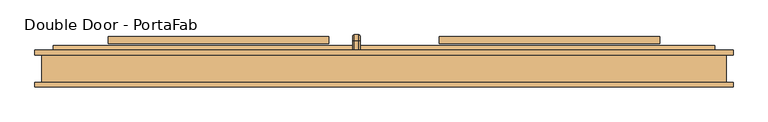
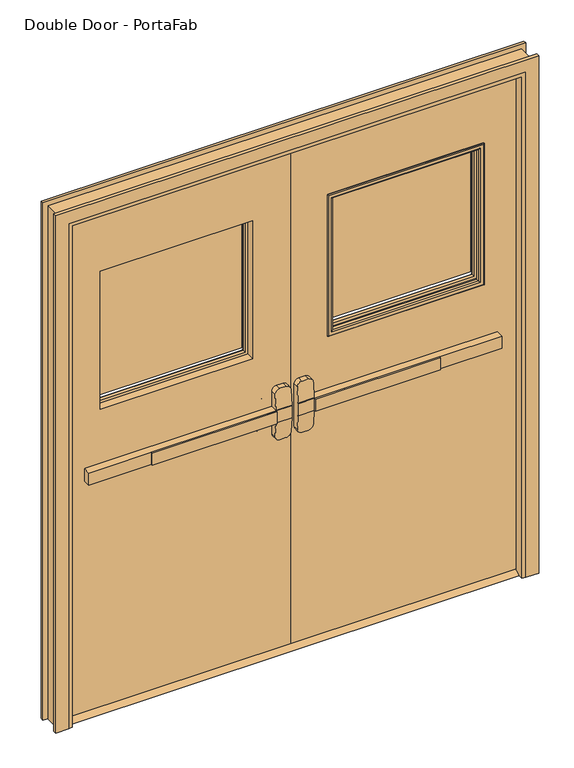
"""IFC4 building model written with IfcOpenShell, lengths in millimetres: door geometry, Double Door - PortaFab."""

from ifc_helpers import new_model, si_unit, point, frame, frame_2d, origin, place, context, project, spatial, polyline, circle_curve, ellipse_curve, trimmed, segment, composite_curve, outline, extrude, faceted_brep, source, transform, mapped, element, save
from ifc_brep_helpers import plane_surface, cylinder_surface, revolved_surface, advanced_brep


def double_door_portafab_8ae98fe6(model_context):
    return source(origin(), model_context, "Body", "SolidModel", [
        extrude(outline(polyline([(-575.7333333, -38.1), (-575.7333333, -31.75), (-76.2, -31.75), (-76.2, -38.1), (-575.7333333, -38.1)])), frame((0.0, 0.0, 990.6), z_axis=(0.0, 0.0, 1.0), x_axis=(1.0, 0.0, 0.0)), (0.0, 0.0, 1.0), 50.8),
        advanced_brep(
        [(-12.7, -31.75, 1041.4), (-76.2, -31.75, 1041.4), (-825.5, -31.75, 1041.4), (-825.5, -31.75, 990.6), (-76.2, -31.75, 990.6), (-12.7, -31.75, 990.6), (-825.5, 0.0, 1041.4), (-76.2, 0.0, 1041.4), (-76.2, 0.0, 1104.9), (-57.15, 0.0, 1123.95), (-31.75, 0.0, 1123.95), (-12.7, 0.0, 1104.9), (-12.7, 0.0, 927.1), (-31.75, 0.0, 908.05), (-57.15, 0.0, 908.05), (-76.2, 0.0, 927.1), (-76.2, 0.0, 990.6), (-825.5, 0.0, 990.6), (-12.7, -28.5747533, 1041.4), (-76.2, -28.5747533, 1041.4), (-12.7, -28.5747533, 990.6), (-12.7, -23.5645731, 927.1), (-12.7, -23.5645731, 1104.9), (-76.2, -28.5747533, 990.6), (-76.2, -23.5645731, 1104.9), (-76.2, -23.5645731, 927.1), (-57.15, -22.061519, 1123.95), (-31.75, -22.061519, 1123.95), (-31.75, -22.061519, 908.05), (-57.15, -22.061519, 908.05)],
        [
            (0, 1),
            (1, 2),
            (2, 3),
            (3, 4),
            (4, 5),
            (5, 0),
            (6, 7),
            (7, 8),
            (8, 9, circle_curve(frame((-57.15, 0.0, 1104.9), z_axis=(0.0, 1.0, 0.0), x_axis=(-1.0, 0.0, 0.0)), 19.05)),
            (9, 10),
            (10, 11, circle_curve(frame((-31.75, 0.0, 1104.9), z_axis=(0.0, 1.0, 0.0), x_axis=(-1.0, 0.0, 0.0)), 19.05)),
            (11, 12),
            (12, 13, circle_curve(frame((-31.75, 0.0, 927.1), z_axis=(0.0, 1.0, 0.0), x_axis=(-1.0, 0.0, 0.0)), 19.05)),
            (13, 14),
            (14, 15, circle_curve(frame((-57.15, 0.0, 927.1), z_axis=(0.0, 1.0, 0.0), x_axis=(-1.0, 0.0, 0.0)), 19.05)),
            (15, 16),
            (16, 17),
            (17, 6),
            (0, 18),
            (18, 19),
            (19, 7),
            (6, 2),
            (5, 20),
            (20, 21),
            (21, 12),
            (11, 22),
            (22, 18),
            (16, 23),
            (23, 20),
            (3, 17),
            (19, 24),
            (24, 8),
            (15, 25),
            (25, 23),
            (9, 26),
            (26, 27),
            (27, 10),
            (13, 28),
            (28, 29),
            (29, 14),
            (29, 25, ellipse_curve(frame((-57.15, -23.5645731, 927.1), z_axis=(0.0, 0.9969018152893365, 0.07865602756830282), x_axis=(0.0, -0.07865602756830208, 0.9969018152893365)), 19.1092038, 19.05)),
            (24, 26, ellipse_curve(frame((-57.15, -23.5645731, 1104.9), z_axis=(0.0, 0.9969018152893376, -0.07865602756828934), x_axis=(0.0, -0.078656027568288, -0.9969018152893377)), 19.1092038, 19.05)),
            (27, 22, ellipse_curve(frame((-31.75, -23.5645731, 1104.9), z_axis=(0.0, 0.9969018152893376, -0.07865602756828934), x_axis=(0.0, -0.078656027568288, -0.9969018152893377)), 19.1092038, 19.05)),
            (21, 28, ellipse_curve(frame((-31.75, -23.5645731, 927.1), z_axis=(0.0, 0.9969018152893365, 0.07865602756830282), x_axis=(0.0, -0.07865602756830208, 0.9969018152893365)), 19.1092038, 19.05)),
        ],
        [
            plane_surface(frame((-12.7, -31.75, 1041.4), z_axis=(0.0, -1.0, 0.0), x_axis=(1.0, 0.0, 0.0))),
            plane_surface(frame((-12.7, 0.0, 1041.4), z_axis=(0.0, 1.0, 0.0), x_axis=(-1.0, 0.0, 0.0))),
            plane_surface(frame((-825.5, -31.75, 1041.4), z_axis=(0.0, 0.0, 1.0), x_axis=(0.0, 1.0, 0.0))),
            plane_surface(frame((-12.7, -31.75, 1041.4), z_axis=(1.0, 0.0, 0.0), x_axis=(0.0, 1.0, 0.0))),
            plane_surface(frame((-12.7, -31.75, 990.6), z_axis=(0.0, 0.0, -1.0), x_axis=(0.0, 1.0, 0.0))),
            plane_surface(frame((-825.5, -31.75, 990.6), z_axis=(-1.0, 0.0, 0.0), x_axis=(0.0, 1.0, 0.0))),
            plane_surface(frame((-76.2, -28.5747533, 927.1), z_axis=(-1.0, 0.0, 0.0), x_axis=(0.0, 1.0, 0.0))),
            plane_surface(frame((-57.15, -28.5747533, 1123.95), z_axis=(0.0, 0.0, 1.0), x_axis=(0.0, 1.0, 0.0))),
            plane_surface(frame((-31.75, -28.5747533, 908.05), z_axis=(0.0, 0.0, -1.0), x_axis=(0.0, 1.0, 0.0))),
            cylinder_surface(frame((-57.15, 0.0, 927.1), z_axis=(0.0, -1.0, 0.0), x_axis=(-1.0, 0.0, 0.0)), 19.05),
            cylinder_surface(frame((-57.15, 0.0, 1104.9), z_axis=(0.0, -1.0, 0.0), x_axis=(-1.0, 0.0, 0.0)), 19.05),
            cylinder_surface(frame((-31.75, 0.0, 1104.9), z_axis=(0.0, -1.0, 0.0), x_axis=(-1.0, 0.0, 0.0)), 19.05),
            cylinder_surface(frame((-31.75, 0.0, 927.1), z_axis=(0.0, -1.0, 0.0), x_axis=(-1.0, 0.0, 0.0)), 19.05),
            plane_surface(frame((-76.2, -28.5747533, 1041.4), z_axis=(0.0, -0.9969018152893376, 0.07865602756828934), x_axis=(1.0, 0.0, 0.0))),
            plane_surface(frame((-76.2, -22.061519, 908.05), z_axis=(0.0, -0.9969018152893365, -0.07865602756830282), x_axis=(1.0, 0.0, 0.0))),
        ],
        [
            (0, [[1, 2, 3, 4, 5, 6]]),
            (1, [[7, 8, 9, 10, 11, 12, 13, 14, 15, 16, 17, 18]]),
            (2, [[-2, -1, 19, 20, 21, -7, 22]]),
            (3, [[23, 24, 25, -12, 26, 27, -19, -6]]),
            (4, [[-17, 28, 29, -23, -5, -4, 30]]),
            (5, [[-22, -18, -30, -3]]),
            (6, [[-21, 31, 32, -8]]),
            (6, [[33, 34, -28, -16]]),
            (7, [[35, 36, 37, -10]]),
            (8, [[38, 39, 40, -14]]),
            (9, [[-40, 41, -33, -15]]),
            (10, [[-32, 42, -35, -9]]),
            (11, [[-37, 43, -26, -11]]),
            (12, [[-25, 44, -38, -13]]),
            (13, [[-27, -43, -36, -42, -31, -20]]),
            (14, [[-29, -34, -41, -39, -44, -24]]),
        ],
    ),
        extrude(outline(polyline([(44.45, 12.7), (69.85, 0.0), (-25.4, 0.0), (0.0, 12.7), (44.45, 12.7)])), frame((-914.4, 0.0, 0.0), z_axis=(1.0, 0.0, 0.0), x_axis=(0.0, 1.0, 0.0)), (0.0, 0.0, 1.0), 1828.8),
        extrude(outline(polyline([(575.7333333, -38.1), (76.2, -38.1), (76.2, -31.75), (575.7333333, -31.75), (575.7333333, -38.1)])), frame((0.0, 0.0, 990.6), z_axis=(0.0, 0.0, 1.0), x_axis=(1.0, 0.0, 0.0)), (0.0, 0.0, 1.0), 50.8),
        advanced_brep(
        [(12.7, -31.75, 1041.4), (12.7, -31.75, 990.6), (76.2, -31.75, 990.6), (825.5, -31.75, 990.6), (825.5, -31.75, 1041.4), (76.2, -31.75, 1041.4), (825.5, 0.0, 1041.4), (825.5, 0.0, 990.6), (76.2, 0.0, 990.6), (76.2, 0.0, 927.1), (57.15, 0.0, 908.05), (31.75, 0.0, 908.05), (12.7, 0.0, 927.1), (12.7, 0.0, 1104.9), (31.75, 0.0, 1123.95), (57.15, 0.0, 1123.95), (76.2, 0.0, 1104.9), (76.2, 0.0, 1041.4), (76.2, -28.5747533, 1041.4), (12.7, -28.5747533, 1041.4), (12.7, -23.5645731, 1104.9), (12.7, -23.5645731, 927.1), (12.7, -28.5747533, 990.6), (76.2, -28.5747533, 990.6), (76.2, -23.5645731, 927.1), (76.2, -23.5645731, 1104.9), (31.75, -22.061519, 1123.95), (57.15, -22.061519, 1123.95), (57.15, -22.061519, 908.05), (31.75, -22.061519, 908.05)],
        [
            (0, 1),
            (1, 2),
            (2, 3),
            (3, 4),
            (4, 5),
            (5, 0),
            (6, 7),
            (7, 8),
            (8, 9),
            (9, 10, circle_curve(frame((57.15, 0.0, 927.1), z_axis=(0.0, 1.0, 0.0), x_axis=(1.0, 0.0, 0.0)), 19.05)),
            (10, 11),
            (11, 12, circle_curve(frame((31.75, 0.0, 927.1), z_axis=(0.0, 1.0, 0.0), x_axis=(1.0, 0.0, 0.0)), 19.05)),
            (12, 13),
            (13, 14, circle_curve(frame((31.75, 0.0, 1104.9), z_axis=(0.0, 1.0, 0.0), x_axis=(1.0, 0.0, 0.0)), 19.05)),
            (14, 15),
            (15, 16, circle_curve(frame((57.15, 0.0, 1104.9), z_axis=(0.0, 1.0, 0.0), x_axis=(1.0, 0.0, 0.0)), 19.05)),
            (16, 17),
            (17, 6),
            (4, 6),
            (17, 18),
            (18, 19),
            (19, 0),
            (19, 20),
            (20, 13),
            (12, 21),
            (21, 22),
            (22, 1),
            (7, 3),
            (22, 23),
            (23, 8),
            (23, 24),
            (24, 9),
            (16, 25),
            (25, 18),
            (14, 26),
            (26, 27),
            (27, 15),
            (10, 28),
            (28, 29),
            (29, 11),
            (24, 28, ellipse_curve(frame((57.15, -23.5645731, 927.1), z_axis=(0.0, 0.9969018152893365, 0.07865602756830282), x_axis=(0.0, -0.07865602756830208, 0.9969018152893365)), 19.1092038, 19.05)),
            (27, 25, ellipse_curve(frame((57.15, -23.5645731, 1104.9), z_axis=(0.0, 0.9969018152893376, -0.07865602756828934), x_axis=(0.0, -0.078656027568288, -0.9969018152893377)), 19.1092038, 19.05)),
            (20, 26, ellipse_curve(frame((31.75, -23.5645731, 1104.9), z_axis=(0.0, 0.9969018152893376, -0.07865602756828934), x_axis=(0.0, -0.078656027568288, -0.9969018152893377)), 19.1092038, 19.05)),
            (29, 21, ellipse_curve(frame((31.75, -23.5645731, 927.1), z_axis=(0.0, 0.9969018152893365, 0.07865602756830282), x_axis=(0.0, -0.07865602756830208, 0.9969018152893365)), 19.1092038, 19.05)),
        ],
        [
            plane_surface(frame((12.7, -31.75, 1041.4), z_axis=(0.0, -1.0, 0.0), x_axis=(-1.0, 0.0, 0.0))),
            plane_surface(frame((12.7, 0.0, 1041.4), z_axis=(0.0, 1.0, 0.0), x_axis=(1.0, 0.0, 0.0))),
            plane_surface(frame((825.5, -31.75, 1041.4), z_axis=(0.0, 0.0, 1.0), x_axis=(0.0, 1.0, 0.0))),
            plane_surface(frame((12.7, -31.75, 1041.4), z_axis=(-1.0, 0.0, 0.0), x_axis=(0.0, 1.0, 0.0))),
            plane_surface(frame((12.7, -31.75, 990.6), z_axis=(0.0, 0.0, -1.0), x_axis=(0.0, 1.0, 0.0))),
            plane_surface(frame((825.5, -31.75, 990.6), z_axis=(1.0, 0.0, 0.0), x_axis=(0.0, 1.0, 0.0))),
            plane_surface(frame((76.2, -28.5747533, 927.1), z_axis=(1.0, 0.0, 0.0), x_axis=(0.0, 1.0, 0.0))),
            plane_surface(frame((57.15, -28.5747533, 1123.95), z_axis=(0.0, 0.0, 1.0), x_axis=(0.0, 1.0, 0.0))),
            plane_surface(frame((31.75, -28.5747533, 908.05), z_axis=(0.0, 0.0, -1.0), x_axis=(0.0, 1.0, 0.0))),
            cylinder_surface(frame((57.15, 0.0, 927.1), z_axis=(0.0, -1.0, 0.0), x_axis=(1.0, 0.0, 0.0)), 19.05),
            cylinder_surface(frame((57.15, 0.0, 1104.9), z_axis=(0.0, -1.0, 0.0), x_axis=(1.0, 0.0, 0.0)), 19.05),
            cylinder_surface(frame((31.75, 0.0, 1104.9), z_axis=(0.0, -1.0, 0.0), x_axis=(1.0, 0.0, 0.0)), 19.05),
            cylinder_surface(frame((31.75, 0.0, 927.1), z_axis=(0.0, -1.0, 0.0), x_axis=(1.0, 0.0, 0.0)), 19.05),
            plane_surface(frame((76.2, -28.5747533, 1041.4), z_axis=(0.0, -0.9969018152893376, 0.07865602756828934), x_axis=(-1.0, 0.0, 0.0))),
            plane_surface(frame((76.2, -22.061519, 908.05), z_axis=(0.0, -0.9969018152893365, -0.07865602756830282), x_axis=(-1.0, 0.0, 0.0))),
        ],
        [
            (0, [[1, 2, 3, 4, 5, 6]]),
            (1, [[7, 8, 9, 10, 11, 12, 13, 14, 15, 16, 17, 18]]),
            (2, [[19, -18, 20, 21, 22, -6, -5]]),
            (3, [[-1, -22, 23, 24, -13, 25, 26, 27]]),
            (4, [[28, -3, -2, -27, 29, 30, -8]]),
            (5, [[-4, -28, -7, -19]]),
            (6, [[-9, -30, 31, 32]]),
            (6, [[-17, 33, 34, -20]]),
            (7, [[-15, 35, 36, 37]]),
            (8, [[-11, 38, 39, 40]]),
            (9, [[-10, -32, 41, -38]]),
            (10, [[-16, -37, 42, -33]]),
            (11, [[-14, -24, 43, -35]]),
            (12, [[-12, -40, 44, -25]]),
            (13, [[-21, -34, -42, -36, -43, -23]]),
            (14, [[-26, -44, -39, -41, -31, -29]]),
        ],
    ),
        advanced_brep(
        [(-86.2, 57.15, 1017.190625), (-86.2, 57.15, 1014.809375), (-82.628125, 57.15, 1011.2375), (-69.7715406, 57.15, 1011.2375), (-66.2, 57.15, 1014.8090406), (-66.2, 57.15, 1017.190625), (-69.771875, 57.15, 1020.7625), (-82.628125, 57.15, 1020.7625), (-86.2, 57.15, 887.809375), (-82.628125, 57.15, 884.2375), (-69.771875, 57.15, 884.2375), (-66.2, 57.15, 887.809375), (-66.2, 57.15, 890.1909594), (-69.7715406, 57.15, 893.7625), (-82.628125, 57.15, 893.7625), (-86.2, 57.15, 890.190625), (-86.2, 82.55, 1017.190625), (-86.2, 96.440625, 1003.3), (-86.2, 96.440625, 901.7), (-86.2, 82.55, 887.809375), (-86.2, 82.55, 890.190625), (-86.2, 94.059375, 901.7), (-86.2, 94.059375, 1003.3), (-86.2, 82.55, 1014.809375), (-82.628125, 82.55, 1011.2375), (-69.7715406, 82.55, 1011.2375), (-66.2, 82.55, 1014.8090406), (-66.2, 94.0590406, 1003.3), (-66.2, 94.0590406, 901.7), (-66.2, 82.55, 890.1909594), (-66.2, 82.55, 887.809375), (-66.2, 96.440625, 901.7), (-66.2, 96.440625, 1003.3), (-66.2, 82.55, 1017.190625), (-69.771875, 82.55, 1020.7625), (-82.628125, 82.55, 1020.7625), (-82.628125, 90.4875, 1003.3), (-69.7715406, 90.4875, 1003.3), (-69.771875, 100.0125, 1003.3), (-82.628125, 100.0125, 1003.3), (-82.628125, 90.4875, 901.7), (-69.7715406, 90.4875, 901.7), (-69.771875, 100.0125, 901.7), (-82.628125, 100.0125, 901.7), (-82.628125, 82.55, 893.7625), (-69.7715406, 82.55, 893.7625), (-69.771875, 82.55, 884.2375), (-82.628125, 82.55, 884.2375)],
        [
            (0, 1),
            (1, 2, circle_curve(frame((-82.628125, 57.15, 1014.809375), z_axis=(0.0, -1.0, 0.0), x_axis=(0.0, 0.0, 1.0)), 3.571875)),
            (2, 3),
            (3, 4, circle_curve(frame((-69.7715406, 57.15, 1014.8090406), z_axis=(0.0, -1.0, 0.0), x_axis=(0.0, 0.0, 1.0)), 3.5715406)),
            (4, 5),
            (5, 6, circle_curve(frame((-69.771875, 57.15, 1017.190625), z_axis=(0.0, -1.0, 0.0), x_axis=(0.0, 0.0, 1.0)), 3.571875)),
            (6, 7),
            (7, 0, circle_curve(frame((-82.628125, 57.15, 1017.190625), z_axis=(0.0, -1.0, 0.0), x_axis=(0.0, 0.0, 1.0)), 3.571875)),
            (8, 9, circle_curve(frame((-82.628125, 57.15, 887.809375), z_axis=(0.0, -1.0, 0.0), x_axis=(0.0, 0.0, -1.0)), 3.571875)),
            (9, 10),
            (10, 11, circle_curve(frame((-69.771875, 57.15, 887.809375), z_axis=(0.0, -1.0, 0.0), x_axis=(0.0, 0.0, -1.0)), 3.571875)),
            (11, 12),
            (12, 13, circle_curve(frame((-69.7715406, 57.15, 890.1909594), z_axis=(0.0, -1.0, 0.0), x_axis=(0.0, 0.0, -1.0)), 3.5715406)),
            (13, 14),
            (14, 15, circle_curve(frame((-82.628125, 57.15, 890.190625), z_axis=(0.0, -1.0, 0.0), x_axis=(0.0, 0.0, -1.0)), 3.571875)),
            (15, 8),
            (0, 16),
            (16, 17, circle_curve(frame((-86.2, 82.55, 1003.3), z_axis=(-1.0, 0.0, 0.0), x_axis=(0.0, 0.0, 1.0)), 13.890625)),
            (17, 18),
            (18, 19, circle_curve(frame((-86.2, 82.55, 901.7), z_axis=(-1.0, 0.0, 0.0), x_axis=(0.0, 1.0, 0.0)), 13.890625)),
            (19, 8),
            (15, 20),
            (20, 21, circle_curve(frame((-86.2, 82.55, 901.7), z_axis=(1.0, 0.0, 0.0), x_axis=(0.0, 1.0, 0.0)), 11.509375)),
            (21, 22),
            (22, 23, circle_curve(frame((-86.2, 82.55, 1003.3), z_axis=(1.0, 0.0, 0.0), x_axis=(0.0, 0.0, 1.0)), 11.509375)),
            (23, 1),
            (23, 24, circle_curve(frame((-82.628125, 82.55, 1014.809375), z_axis=(0.0, -1.0, 0.0), x_axis=(0.0, 0.0, 1.0)), 3.571875)),
            (24, 2),
            (24, 25),
            (25, 3),
            (25, 26, circle_curve(frame((-69.7715406, 82.55, 1014.8090406), z_axis=(0.0, -1.0, 0.0), x_axis=(0.0, 0.0, 1.0)), 3.5715406)),
            (26, 4),
            (26, 27, circle_curve(frame((-66.2, 82.55, 1003.3), z_axis=(-1.0, 0.0, 0.0), x_axis=(0.0, 0.0, 1.0)), 11.5090406)),
            (27, 28),
            (28, 29, circle_curve(frame((-66.2, 82.55, 901.7), z_axis=(-1.0, 0.0, 0.0), x_axis=(0.0, 1.0, 0.0)), 11.5090406)),
            (29, 12),
            (11, 30),
            (30, 31, circle_curve(frame((-66.2, 82.55, 901.7), z_axis=(1.0, 0.0, 0.0), x_axis=(0.0, 1.0, 0.0)), 13.890625)),
            (31, 32),
            (32, 33, circle_curve(frame((-66.2, 82.55, 1003.3), z_axis=(1.0, 0.0, 0.0), x_axis=(0.0, 0.0, 1.0)), 13.890625)),
            (33, 5),
            (33, 34, circle_curve(frame((-69.771875, 82.55, 1017.190625), z_axis=(0.0, -1.0, 0.0), x_axis=(0.0, 0.0, 1.0)), 3.571875)),
            (34, 6),
            (34, 35),
            (35, 7),
            (35, 16, circle_curve(frame((-82.628125, 82.55, 1017.190625), z_axis=(0.0, -1.0, 0.0), x_axis=(0.0, 0.0, 1.0)), 3.571875)),
            (36, 24, circle_curve(frame((-82.628125, 82.55, 1003.3), z_axis=(1.0, 0.0, 0.0), x_axis=(0.0, 0.0, 1.0)), 7.9375)),
            (22, 36, circle_curve(frame((-82.628125, 94.059375, 1003.3), z_axis=(0.0, 0.0, 1.0), x_axis=(0.0, 1.0, 0.0)), 3.571875)),
            (37, 25, circle_curve(frame((-69.7715406, 82.55, 1003.3), z_axis=(1.0, 0.0, 0.0), x_axis=(0.0, 0.0, 1.0)), 7.9375)),
            (36, 37),
            (37, 27, circle_curve(frame((-69.7715406, 94.0590406, 1003.3), z_axis=(0.0, 0.0, 1.0), x_axis=(0.0, 1.0, 0.0)), 3.5715406)),
            (38, 34, circle_curve(frame((-69.771875, 82.55, 1003.3), z_axis=(1.0, 0.0, 0.0), x_axis=(0.0, 0.0, 1.0)), 17.4625)),
            (32, 38, circle_curve(frame((-69.771875, 96.440625, 1003.3), z_axis=(0.0, 0.0, 1.0), x_axis=(0.0, 1.0, 0.0)), 3.571875)),
            (39, 35, circle_curve(frame((-82.628125, 82.55, 1003.3), z_axis=(1.0, 0.0, 0.0), x_axis=(0.0, 0.0, 1.0)), 17.4625)),
            (38, 39),
            (39, 17, circle_curve(frame((-82.628125, 96.440625, 1003.3), z_axis=(0.0, 0.0, 1.0), x_axis=(0.0, 1.0, 0.0)), 3.571875)),
            (21, 40, circle_curve(frame((-82.628125, 94.059375, 901.7), z_axis=(0.0, 0.0, 1.0), x_axis=(0.0, 1.0, 0.0)), 3.571875)),
            (40, 36),
            (40, 41),
            (41, 37),
            (41, 28, circle_curve(frame((-69.7715406, 94.0590406, 901.7), z_axis=(0.0, 0.0, 1.0), x_axis=(0.0, 1.0, 0.0)), 3.5715406)),
            (31, 42, circle_curve(frame((-69.771875, 96.440625, 901.7), z_axis=(0.0, 0.0, 1.0), x_axis=(0.0, 1.0, 0.0)), 3.571875)),
            (42, 38),
            (42, 43),
            (43, 39),
            (43, 18, circle_curve(frame((-82.628125, 96.440625, 901.7), z_axis=(0.0, 0.0, 1.0), x_axis=(0.0, 1.0, 0.0)), 3.571875)),
            (44, 40, circle_curve(frame((-82.628125, 82.55, 901.7), z_axis=(1.0, 0.0, 0.0), x_axis=(0.0, 1.0, 0.0)), 7.9375)),
            (20, 44, circle_curve(frame((-82.628125, 82.55, 890.190625), z_axis=(0.0, 1.0, 0.0), x_axis=(0.0, 0.0, -1.0)), 3.571875)),
            (45, 41, circle_curve(frame((-69.7715406, 82.55, 901.7), z_axis=(1.0, 0.0, 0.0), x_axis=(0.0, 1.0, 0.0)), 7.9375)),
            (44, 45),
            (45, 29, circle_curve(frame((-69.7715406, 82.55, 890.1909594), z_axis=(0.0, 1.0, 0.0), x_axis=(0.0, 0.0, -1.0)), 3.5715406)),
            (46, 42, circle_curve(frame((-69.771875, 82.55, 901.7), z_axis=(1.0, 0.0, 0.0), x_axis=(0.0, 1.0, 0.0)), 17.4625)),
            (30, 46, circle_curve(frame((-69.771875, 82.55, 887.809375), z_axis=(0.0, 1.0, 0.0), x_axis=(0.0, 0.0, -1.0)), 3.571875)),
            (47, 43, circle_curve(frame((-82.628125, 82.55, 901.7), z_axis=(1.0, 0.0, 0.0), x_axis=(0.0, 1.0, 0.0)), 17.4625)),
            (46, 47),
            (47, 19, circle_curve(frame((-82.628125, 82.55, 887.809375), z_axis=(0.0, 1.0, 0.0), x_axis=(0.0, 0.0, -1.0)), 3.571875)),
            (14, 44),
            (13, 45),
            (10, 46),
            (9, 47),
        ],
        [
            plane_surface(frame((-76.2, 57.15, 1016.0), z_axis=(0.0, -1.0, 0.0), x_axis=(1.0, 0.0, 0.0))),
            plane_surface(frame((-76.2, 57.15, 889.0), z_axis=(0.0, -1.0, 0.0), x_axis=(1.0, 0.0, 0.0))),
            plane_surface(frame((-86.2, 57.15, 1017.190625), z_axis=(-1.0, 0.0, 0.0), x_axis=(0.0, 1.0, 0.0))),
            cylinder_surface(frame((-82.628125, 57.15, 1014.809375), z_axis=(0.0, -1.0, 0.0), x_axis=(0.0, 0.0, 1.0)), 3.571875),
            plane_surface(frame((-82.628125, 57.15, 1011.2375), z_axis=(0.0, 0.0, -1.0), x_axis=(0.0, 1.0, 0.0))),
            cylinder_surface(frame((-69.7715406, 57.15, 1014.8090406), z_axis=(0.0, -1.0, 0.0), x_axis=(0.0, 0.0, 1.0)), 3.5715406),
            plane_surface(frame((-66.2, 57.15, 1014.8090406), z_axis=(1.0, 0.0, 0.0), x_axis=(0.0, 1.0, 0.0))),
            cylinder_surface(frame((-69.771875, 57.15, 1017.190625), z_axis=(0.0, -1.0, 0.0), x_axis=(0.0, 0.0, 1.0)), 3.571875),
            plane_surface(frame((-69.771875, 57.15, 1020.7625), z_axis=(0.0, 0.0, 1.0), x_axis=(0.0, 1.0, 0.0))),
            cylinder_surface(frame((-82.628125, 57.15, 1017.190625), z_axis=(0.0, -1.0, 0.0), x_axis=(0.0, 0.0, 1.0)), 3.571875),
            revolved_surface(trimmed(ellipse_curve(frame((-82.628125, 82.55, 1014.809375), z_axis=(0.0, -1.0, 0.0), x_axis=(0.0, 0.0, 1.0)), 3.571875, 3.571875), [point((-86.2, 82.55, 1014.809375))], [point((-82.628125, 82.55, 1011.2375))], True, "CARTESIAN"), (-76.2, 82.55, 1003.3), (-1.0, 0.0, 0.0)),
            revolved_surface(polyline([(-82.628125, 82.55, 1011.2375), (-69.7715406, 82.55, 1011.2375)]), (-76.2, 82.55, 1003.3), (-1.0, 0.0, 0.0)),
            revolved_surface(trimmed(ellipse_curve(frame((-69.7715406, 82.55, 1014.8090406), z_axis=(0.0, -1.0, 0.0), x_axis=(0.0, 0.0, 1.0)), 3.5715406, 3.5715406), [point((-69.7715406, 82.55, 1011.2375))], [point((-66.2, 82.55, 1014.8090406))], True, "CARTESIAN"), (-76.2, 82.55, 1003.3), (-1.0, 0.0, 0.0)),
            revolved_surface(trimmed(ellipse_curve(frame((-69.771875, 82.55, 1017.190625), z_axis=(0.0, -1.0, 0.0), x_axis=(0.0, 0.0, 1.0)), 3.571875, 3.571875), [point((-66.2, 82.55, 1017.190625))], [point((-69.771875, 82.55, 1020.7625))], True, "CARTESIAN"), (-76.2, 82.55, 1003.3), (-1.0, 0.0, 0.0)),
            cylinder_surface(frame((-76.2, 82.55, 1003.3), z_axis=(-1.0, 0.0, 0.0), x_axis=(0.0, 0.0, 1.0)), 17.4625),
            revolved_surface(trimmed(ellipse_curve(frame((-82.628125, 82.55, 1017.190625), z_axis=(0.0, -1.0, 0.0), x_axis=(0.0, 0.0, 1.0)), 3.571875, 3.571875), [point((-82.628125, 82.55, 1020.7625))], [point((-86.2, 82.55, 1017.190625))], True, "CARTESIAN"), (-76.2, 82.55, 1003.3), (-1.0, 0.0, 0.0)),
            cylinder_surface(frame((-82.628125, 94.059375, 1003.3), z_axis=(0.0, 0.0, 1.0), x_axis=(0.0, 1.0, 0.0)), 3.571875),
            plane_surface(frame((-82.628125, 90.4875, 1003.3), z_axis=(0.0, -1.0, 0.0), x_axis=(0.0, 0.0, -1.0))),
            cylinder_surface(frame((-69.7715406, 94.0590406, 1003.3), z_axis=(0.0, 0.0, 1.0), x_axis=(0.0, 1.0, 0.0)), 3.5715406),
            cylinder_surface(frame((-69.771875, 96.440625, 1003.3), z_axis=(0.0, 0.0, 1.0), x_axis=(0.0, 1.0, 0.0)), 3.571875),
            plane_surface(frame((-69.771875, 100.0125, 1003.3), z_axis=(0.0, 1.0, 0.0), x_axis=(0.0, 0.0, -1.0))),
            cylinder_surface(frame((-82.628125, 96.440625, 1003.3), z_axis=(0.0, 0.0, 1.0), x_axis=(0.0, 1.0, 0.0)), 3.571875),
            revolved_surface(trimmed(ellipse_curve(frame((-82.628125, 94.059375, 901.7), z_axis=(0.0, 0.0, 1.0), x_axis=(0.0, 1.0, 0.0)), 3.571875, 3.571875), [point((-86.2, 94.059375, 901.7))], [point((-82.628125, 90.4875, 901.7))], True, "CARTESIAN"), (-76.2, 82.55, 901.7), (-1.0, 0.0, 0.0)),
            revolved_surface(polyline([(-82.628125, 90.4875, 901.7), (-69.7715406, 90.4875, 901.7)]), (-76.2, 82.55, 901.7), (-1.0, 0.0, 0.0)),
            revolved_surface(trimmed(ellipse_curve(frame((-69.7715406, 94.0590406, 901.7), z_axis=(0.0, 0.0, 1.0), x_axis=(0.0, 1.0, 0.0)), 3.5715406, 3.5715406), [point((-69.7715406, 90.4875, 901.7))], [point((-66.2, 94.0590406, 901.7))], True, "CARTESIAN"), (-76.2, 82.55, 901.7), (-1.0, 0.0, 0.0)),
            revolved_surface(trimmed(ellipse_curve(frame((-69.771875, 96.440625, 901.7), z_axis=(0.0, 0.0, 1.0), x_axis=(0.0, 1.0, 0.0)), 3.571875, 3.571875), [point((-66.2, 96.440625, 901.7))], [point((-69.771875, 100.0125, 901.7))], True, "CARTESIAN"), (-76.2, 82.55, 901.7), (-1.0, 0.0, 0.0)),
            cylinder_surface(frame((-76.2, 82.55, 901.7), z_axis=(-1.0, 0.0, 0.0), x_axis=(0.0, 1.0, 0.0)), 17.4625),
            revolved_surface(trimmed(ellipse_curve(frame((-82.628125, 96.440625, 901.7), z_axis=(0.0, 0.0, 1.0), x_axis=(0.0, 1.0, 0.0)), 3.571875, 3.571875), [point((-82.628125, 100.0125, 901.7))], [point((-86.2, 96.440625, 901.7))], True, "CARTESIAN"), (-76.2, 82.55, 901.7), (-1.0, 0.0, 0.0)),
            cylinder_surface(frame((-82.628125, 82.55, 890.190625), z_axis=(0.0, 1.0, 0.0), x_axis=(0.0, 0.0, -1.0)), 3.571875),
            plane_surface(frame((-82.628125, 82.55, 893.7625), z_axis=(0.0, 0.0, 1.0), x_axis=(0.0, -1.0, 0.0))),
            cylinder_surface(frame((-69.7715406, 82.55, 890.1909594), z_axis=(0.0, 1.0, 0.0), x_axis=(0.0, 0.0, -1.0)), 3.5715406),
            cylinder_surface(frame((-69.771875, 82.55, 887.809375), z_axis=(0.0, 1.0, 0.0), x_axis=(0.0, 0.0, -1.0)), 3.571875),
            plane_surface(frame((-69.771875, 82.55, 884.2375), z_axis=(0.0, 0.0, -1.0), x_axis=(0.0, -1.0, 0.0))),
            cylinder_surface(frame((-82.628125, 82.55, 887.809375), z_axis=(0.0, 1.0, 0.0), x_axis=(0.0, 0.0, -1.0)), 3.571875),
        ],
        [
            (0, [[1, 2, 3, 4, 5, 6, 7, 8]]),
            (1, [[9, 10, 11, 12, 13, 14, 15, 16]]),
            (2, [[-1, 17, 18, 19, 20, 21, -16, 22, 23, 24, 25, 26]]),
            (3, [[-2, -26, 27, 28]]),
            (4, [[-3, -28, 29, 30]]),
            (5, [[-4, -30, 31, 32]]),
            (6, [[-5, -32, 33, 34, 35, 36, -12, 37, 38, 39, 40, 41]]),
            (7, [[-6, -41, 42, 43]]),
            (8, [[-7, -43, 44, 45]]),
            (9, [[-8, -45, 46, -17]]),
            (10, [[47, -27, -25, 48]]),
            (11, [[49, -29, -47, 50]]),
            (12, [[-33, -31, -49, 51]]),
            (13, [[52, -42, -40, 53]]),
            (14, [[54, -44, -52, 55]]),
            (15, [[-18, -46, -54, 56]]),
            (16, [[-48, -24, 57, 58]]),
            (17, [[-50, -58, 59, 60]]),
            (18, [[-51, -60, 61, -34]]),
            (19, [[-53, -39, 62, 63]]),
            (20, [[-55, -63, 64, 65]]),
            (21, [[-56, -65, 66, -19]]),
            (22, [[67, -57, -23, 68]]),
            (23, [[69, -59, -67, 70]]),
            (24, [[-35, -61, -69, 71]]),
            (25, [[72, -62, -38, 73]]),
            (26, [[74, -64, -72, 75]]),
            (27, [[-20, -66, -74, 76]]),
            (28, [[-68, -22, -15, 77]]),
            (29, [[-70, -77, -14, 78]]),
            (30, [[-71, -78, -13, -36]]),
            (31, [[-73, -37, -11, 79]]),
            (32, [[-75, -79, -10, 80]]),
            (33, [[-76, -80, -9, -21]]),
        ],
    ),
        extrude(outline(composite_curve([segment(trimmed(circle_curve(frame_2d((1113.0338574, -76.2)), 89.3016225), [point((1193.8, -38.1))], [point((1193.8, -114.3))], False, "CARTESIAN"), True, "CONTINUOUS"), segment(polyline([(1193.8, -114.3), (838.2, -114.3)]), True, "CONTINUOUS"), segment(trimmed(circle_curve(frame_2d((918.9661426, -76.2)), 89.3016225), [point((838.2, -114.3))], [point((838.2, -38.1))], False, "CARTESIAN"), True, "CONTINUOUS"), segment(polyline([(838.2, -38.1), (1193.8, -38.1)]), True, "CONTINUOUS")], self_intersect=False)), frame((0.0, 44.45, 0.0), z_axis=(0.0, 1.0, 0.0), x_axis=(0.0, 0.0, 1.0)), (0.0, 0.0, 1.0), 12.7),
        faceted_brep([(914.4, 57.15, 0.0), (965.2, 57.15, 0.0), (965.2, 44.45, 0.0), (946.15, 44.45, 0.0), (946.15, -31.75, 0.0), (965.2, -31.75, 0.0), (965.2, -44.45, 0.0), (914.4, -44.45, 0.0), (914.4, -42.8625, 0.0), (898.525, -42.8625, 0.0), (898.525, -4.7625, 0.0), (914.4, -4.7625, 0.0), (914.4, 57.15, 2133.6), (-914.4, 57.15, 2133.6), (-914.4, 57.15, 0.0), (-965.2, 57.15, 0.0), (-965.2, 57.15, 2184.4), (965.2, 57.15, 2184.4), (965.2, 44.45, 2184.4), (-965.2, 44.45, 2184.4), (-965.2, 44.45, 0.0), (-946.15, 44.45, 0.0), (-946.15, 44.45, 2165.35), (946.15, 44.45, 2165.35), (946.15, -31.75, 2165.35), (-946.15, -31.75, 2165.35), (-946.15, -31.75, 0.0), (-965.2, -31.75, 0.0), (-965.2, -31.75, 2184.4), (965.2, -31.75, 2184.4), (965.2, -44.45, 2184.4), (-965.2, -44.45, 2184.4), (-965.2, -44.45, 0.0), (-914.4, -44.45, 0.0), (-914.4, -44.45, 2133.6), (914.4, -44.45, 2133.6), (914.4, -42.8625, 2133.6), (-914.4, -42.8625, 2133.6), (-914.4, -42.8625, 0.0), (-898.525, -42.8625, 0.0), (-898.525, -42.8625, 2117.725), (898.525, -42.8625, 2117.725), (898.525, -4.7625, 2117.725), (-898.525, -4.7625, 2117.725), (-898.525, -4.7625, 0.0), (-914.4, -4.7625, 0.0), (-914.4, -4.7625, 2133.6), (914.4, -4.7625, 2133.6)], [[[0, 1, 2, 3, 4, 5, 6, 7, 8, 9, 10, 11]], [[1, 0, 12, 13, 14, 15, 16, 17]], [[2, 1, 17, 18]], [[3, 2, 18, 19, 20, 21, 22, 23]], [[4, 3, 23, 24]], [[5, 4, 24, 25, 26, 27, 28, 29]], [[6, 5, 29, 30]], [[7, 6, 30, 31, 32, 33, 34, 35]], [[8, 7, 35, 36]], [[9, 8, 36, 37, 38, 39, 40, 41]], [[10, 9, 41, 42]], [[11, 10, 42, 43, 44, 45, 46, 47]], [[0, 11, 47, 12]], [[18, 17, 16, 19]], [[24, 23, 22, 25]], [[30, 29, 28, 31]], [[36, 35, 34, 37]], [[42, 41, 40, 43]], [[12, 47, 46, 13]], [[14, 45, 44, 39, 38, 33, 32, 27, 26, 21, 20, 15]], [[19, 16, 15, 20]], [[25, 22, 21, 26]], [[31, 28, 27, 32]], [[37, 34, 33, 38]], [[43, 40, 39, 44]], [[13, 46, 45, 14]]]),
        extrude(outline(polyline([(2133.6, 1.5875), (12.7, 1.5875), (12.7, 914.4), (2133.6, 914.4), (2133.6, 1.5875)]), holes=[polyline([(1851.025, 152.4), (1851.025, 762.0), (1270.0, 762.0), (1270.0, 152.4), (1851.025, 152.4)])]), frame((0.0, 0.0, 0.0), z_axis=(0.0, 1.0, 0.0), x_axis=(0.0, 0.0, 1.0)), (0.0, 0.0, 1.0), 44.45),
        extrude(outline(polyline([(12.7, -1.5875), (2133.6, -1.5875), (2133.6, -914.4), (12.7, -914.4), (12.7, -1.5875)]), holes=[polyline([(1851.025, -762.0), (1851.025, -152.4), (1270.0, -152.4), (1270.0, -762.0), (1851.025, -762.0)])]), frame((0.0, 0.0, 0.0), z_axis=(0.0, 1.0, 0.0), x_axis=(0.0, 0.0, 1.0)), (0.0, 0.0, 1.0), 44.45),
        extrude(outline(polyline([(762.0, 76.2), (152.4, 76.2), (152.4, 95.25), (762.0, 95.25), (762.0, 76.2)])), frame((0.0, 0.0, 1270.0), z_axis=(0.0, 0.0, 1.0), x_axis=(1.0, 0.0, 0.0)), (0.0, 0.0, 1.0), 581.025),
        extrude(outline(polyline([(-152.4, 76.2), (-762.0, 76.2), (-762.0, 95.25), (-152.4, 95.25), (-152.4, 76.2)])), frame((0.0, 0.0, 1270.0), z_axis=(0.0, 0.0, 1.0), x_axis=(1.0, 0.0, 0.0)), (0.0, 0.0, 1.0), 581.025),
        advanced_brep(
        [(152.4, 31.75, 1851.025), (152.4, 44.45, 1851.025), (152.4, 44.45, 1270.0), (152.4, 31.75, 1270.0), (164.4, 45.45, 1839.025), (164.4, 31.75, 1839.025), (164.4, 31.75, 1282.0), (164.4, 45.45, 1282.0), (159.4, 50.45, 1844.025), (159.4, 50.45, 1277.0), (144.4, 48.45, 1859.025), (146.4, 50.45, 1857.025), (146.4, 50.45, 1264.0), (144.4, 48.45, 1262.0), (144.4, 44.45, 1859.025), (144.4, 44.45, 1262.0), (762.0, 44.45, 1270.0), (762.0, 31.75, 1270.0), (750.0, 31.75, 1282.0), (750.0, 45.45, 1282.0), (755.0, 50.45, 1277.0), (768.0, 50.45, 1264.0), (770.0, 48.45, 1262.0), (770.0, 44.45, 1262.0), (762.0, 44.45, 1851.025), (762.0, 31.75, 1851.025), (750.0, 31.75, 1839.025), (750.0, 45.45, 1839.025), (755.0, 50.45, 1844.025), (768.0, 50.45, 1857.025), (770.0, 48.45, 1859.025), (770.0, 44.45, 1859.025)],
        [
            (0, 1),
            (1, 2),
            (2, 3),
            (3, 0),
            (4, 5),
            (5, 6),
            (6, 7),
            (7, 4),
            (8, 4, ellipse_curve(frame((159.4, 45.45, 1844.025), z_axis=(-0.7071067811865475, 0.0, -0.7071067811865475), x_axis=(-0.7071067811865474, 0.0, 0.7071067811865476)), 7.0710678, 5.0)),
            (7, 9, ellipse_curve(frame((159.4, 45.45, 1277.0), z_axis=(-0.7071067811865475, 0.0, 0.7071067811865475), x_axis=(0.7071067811865474, 0.0, 0.7071067811865476)), 7.0710678, 5.0)),
            (9, 8),
            (10, 11, ellipse_curve(frame((146.4, 48.45, 1857.025), z_axis=(-0.7071067811865475, 0.0, -0.7071067811865475), x_axis=(-0.7071067811865474, 0.0, 0.7071067811865476)), 2.8284271, 2.0)),
            (11, 12),
            (12, 13, ellipse_curve(frame((146.4, 48.45, 1264.0), z_axis=(-0.7071067811865475, 0.0, 0.7071067811865475), x_axis=(0.7071067811865474, 0.0, 0.7071067811865476)), 2.8284271, 2.0)),
            (13, 10),
            (14, 10),
            (13, 15),
            (15, 14),
            (2, 16),
            (16, 17),
            (17, 3),
            (6, 18),
            (18, 19),
            (19, 7),
            (19, 20, ellipse_curve(frame((755.0, 45.45, 1277.0), z_axis=(-0.7071067811865475, 0.0, -0.7071067811865475), x_axis=(-0.7071067811865476, 0.0, 0.7071067811865474)), 7.0710678, 5.0)),
            (20, 9),
            (12, 21),
            (21, 22, ellipse_curve(frame((768.0, 48.45, 1264.0), z_axis=(-0.7071067811865475, 0.0, -0.7071067811865475), x_axis=(-0.7071067811865476, 0.0, 0.7071067811865474)), 2.8284271, 2.0)),
            (22, 13),
            (22, 23),
            (23, 15),
            (16, 24),
            (24, 25),
            (25, 17),
            (18, 26),
            (26, 27),
            (27, 19),
            (27, 28, ellipse_curve(frame((755.0, 45.45, 1844.025), z_axis=(0.7071067811865475, 0.0, -0.7071067811865475), x_axis=(-0.7071067811865474, 0.0, -0.7071067811865476)), 7.0710678, 5.0)),
            (28, 20),
            (21, 29),
            (29, 30, ellipse_curve(frame((768.0, 48.45, 1857.025), z_axis=(0.7071067811865475, 0.0, -0.7071067811865475), x_axis=(-0.7071067811865474, 0.0, -0.7071067811865476)), 2.8284271, 2.0)),
            (30, 22),
            (30, 31),
            (31, 23),
            (31, 14),
            (1, 24),
            (0, 25),
            (5, 26),
            (4, 27),
            (8, 28),
            (11, 29),
            (10, 30),
        ],
        [
            plane_surface(frame((152.4, 44.45, 1851.025), z_axis=(-1.0, 0.0, 0.0), x_axis=(0.0, 0.0, -1.0))),
            plane_surface(frame((164.4, 31.75, 1839.025), z_axis=(1.0, 0.0, 0.0), x_axis=(0.0, 0.0, -1.0))),
            cylinder_surface(frame((159.4, 45.45, 1851.025), z_axis=(0.0, 0.0, 1.0), x_axis=(-1.0, 0.0, 0.0)), 5.0),
            cylinder_surface(frame((146.4, 48.45, 1851.025), z_axis=(0.0, 0.0, 1.0), x_axis=(-1.0, 0.0, 0.0)), 2.0),
            plane_surface(frame((144.4, 48.45, 1859.025), z_axis=(-1.0, 0.0, 0.0), x_axis=(0.0, 0.0, -1.0))),
            plane_surface(frame((152.4, 44.45, 1270.0), z_axis=(0.0, 0.0, -1.0), x_axis=(1.0, 0.0, 0.0))),
            plane_surface(frame((164.4, 31.75, 1282.0), z_axis=(0.0, 0.0, 1.0), x_axis=(1.0, 0.0, 0.0))),
            cylinder_surface(frame((152.4, 45.45, 1277.0), z_axis=(-1.0, 0.0, 0.0), x_axis=(0.0, 0.0, -1.0)), 5.0),
            cylinder_surface(frame((152.4, 48.45, 1264.0), z_axis=(-1.0, 0.0, 0.0), x_axis=(0.0, 0.0, -1.0)), 2.0),
            plane_surface(frame((144.4, 48.45, 1262.0), z_axis=(0.0, 0.0, -1.0), x_axis=(1.0, 0.0, 0.0))),
            plane_surface(frame((762.0, 44.45, 1270.0), z_axis=(1.0, 0.0, 0.0), x_axis=(0.0, 0.0, 1.0))),
            plane_surface(frame((750.0, 31.75, 1282.0), z_axis=(-1.0, 0.0, 0.0), x_axis=(0.0, 0.0, 1.0))),
            cylinder_surface(frame((755.0, 45.45, 1270.0), z_axis=(0.0, 0.0, -1.0), x_axis=(1.0, 0.0, 0.0)), 5.0),
            cylinder_surface(frame((768.0, 48.45, 1270.0), z_axis=(0.0, 0.0, -1.0), x_axis=(1.0, 0.0, 0.0)), 2.0),
            plane_surface(frame((770.0, 48.45, 1262.0), z_axis=(1.0, 0.0, 0.0), x_axis=(0.0, 0.0, 1.0))),
            plane_surface(frame((770.0, 44.45, 1859.025), z_axis=(0.0, -1.0, 0.0), x_axis=(-1.0, 0.0, 0.0))),
            plane_surface(frame((762.0, 44.45, 1851.025), z_axis=(0.0, 0.0, 1.0), x_axis=(-1.0, 0.0, 0.0))),
            plane_surface(frame((762.0, 31.75, 1851.025), z_axis=(0.0, -1.0, 0.0), x_axis=(-1.0, 0.0, 0.0))),
            plane_surface(frame((750.0, 31.75, 1839.025), z_axis=(0.0, 0.0, -1.0), x_axis=(-1.0, 0.0, 0.0))),
            cylinder_surface(frame((762.0, 45.45, 1844.025), z_axis=(1.0, 0.0, 0.0), x_axis=(0.0, 0.0, 1.0)), 5.0),
            plane_surface(frame((755.0, 50.45, 1844.025), z_axis=(0.0, 1.0, 0.0), x_axis=(-1.0, 0.0, 0.0))),
            cylinder_surface(frame((762.0, 48.45, 1857.025), z_axis=(1.0, 0.0, 0.0), x_axis=(0.0, 0.0, 1.0)), 2.0),
            plane_surface(frame((770.0, 48.45, 1859.025), z_axis=(0.0, 0.0, 1.0), x_axis=(-1.0, 0.0, 0.0))),
        ],
        [
            (0, [[1, 2, 3, 4]]),
            (1, [[5, 6, 7, 8]]),
            (2, [[9, -8, 10, 11]]),
            (3, [[12, 13, 14, 15]]),
            (4, [[16, -15, 17, 18]]),
            (5, [[-3, 19, 20, 21]]),
            (6, [[-7, 22, 23, 24]]),
            (7, [[-10, -24, 25, 26]]),
            (8, [[-14, 27, 28, 29]]),
            (9, [[-17, -29, 30, 31]]),
            (10, [[-20, 32, 33, 34]]),
            (11, [[-23, 35, 36, 37]]),
            (12, [[-25, -37, 38, 39]]),
            (13, [[-28, 40, 41, 42]]),
            (14, [[-30, -42, 43, 44]]),
            (15, [[-31, -44, 45, -18], [46, -32, -19, -2]]),
            (16, [[-33, -46, -1, 47]]),
            (17, [[-21, -34, -47, -4], [48, -35, -22, -6]]),
            (18, [[-36, -48, -5, 49]]),
            (19, [[-38, -49, -9, 50]]),
            (20, [[51, -40, -27, -13], [-26, -39, -50, -11]]),
            (21, [[-41, -51, -12, 52]]),
            (22, [[-43, -52, -16, -45]]),
        ],
    ),
        advanced_brep(
        [(-762.0, 31.75, 1851.025), (-762.0, 44.45, 1851.025), (-762.0, 44.45, 1270.0), (-762.0, 31.75, 1270.0), (-750.0, 45.45, 1839.025), (-750.0, 31.75, 1839.025), (-750.0, 31.75, 1282.0), (-750.0, 45.45, 1282.0), (-755.0, 50.45, 1844.025), (-755.0, 50.45, 1277.0), (-770.0, 48.45, 1859.025), (-768.0, 50.45, 1857.025), (-768.0, 50.45, 1264.0), (-770.0, 48.45, 1262.0), (-770.0, 44.45, 1859.025), (-770.0, 44.45, 1262.0), (-152.4, 44.45, 1270.0), (-152.4, 31.75, 1270.0), (-164.4, 31.75, 1282.0), (-164.4, 45.45, 1282.0), (-159.4, 50.45, 1277.0), (-146.4, 50.45, 1264.0), (-144.4, 48.45, 1262.0), (-144.4, 44.45, 1262.0), (-152.4, 44.45, 1851.025), (-152.4, 31.75, 1851.025), (-164.4, 31.75, 1839.025), (-164.4, 45.45, 1839.025), (-159.4, 50.45, 1844.025), (-146.4, 50.45, 1857.025), (-144.4, 48.45, 1859.025), (-144.4, 44.45, 1859.025)],
        [
            (0, 1),
            (1, 2),
            (2, 3),
            (3, 0),
            (4, 5),
            (5, 6),
            (6, 7),
            (7, 4),
            (8, 4, ellipse_curve(frame((-755.0, 45.45, 1844.025), z_axis=(-0.7071067811865475, 0.0, -0.7071067811865475), x_axis=(-0.7071067811865474, 0.0, 0.7071067811865476)), 7.0710678, 5.0)),
            (7, 9, ellipse_curve(frame((-755.0, 45.45, 1277.0), z_axis=(-0.7071067811865475, 0.0, 0.7071067811865475), x_axis=(0.7071067811865474, 0.0, 0.7071067811865476)), 7.0710678, 5.0)),
            (9, 8),
            (10, 11, ellipse_curve(frame((-768.0, 48.45, 1857.025), z_axis=(-0.7071067811865475, 0.0, -0.7071067811865475), x_axis=(-0.7071067811865474, 0.0, 0.7071067811865476)), 2.8284271, 2.0)),
            (11, 12),
            (12, 13, ellipse_curve(frame((-768.0, 48.45, 1264.0), z_axis=(-0.7071067811865475, 0.0, 0.7071067811865475), x_axis=(0.7071067811865474, 0.0, 0.7071067811865476)), 2.8284271, 2.0)),
            (13, 10),
            (14, 10),
            (13, 15),
            (15, 14),
            (2, 16),
            (16, 17),
            (17, 3),
            (6, 18),
            (18, 19),
            (19, 7),
            (19, 20, ellipse_curve(frame((-159.4, 45.45, 1277.0), z_axis=(-0.7071067811865475, 0.0, -0.7071067811865475), x_axis=(-0.7071067811865476, 0.0, 0.7071067811865474)), 7.0710678, 5.0)),
            (20, 9),
            (12, 21),
            (21, 22, ellipse_curve(frame((-146.4, 48.45, 1264.0), z_axis=(-0.7071067811865475, 0.0, -0.7071067811865475), x_axis=(-0.7071067811865476, 0.0, 0.7071067811865474)), 2.8284271, 2.0)),
            (22, 13),
            (22, 23),
            (23, 15),
            (16, 24),
            (24, 25),
            (25, 17),
            (18, 26),
            (26, 27),
            (27, 19),
            (27, 28, ellipse_curve(frame((-159.4, 45.45, 1844.025), z_axis=(0.7071067811865475, 0.0, -0.7071067811865475), x_axis=(-0.7071067811865474, 0.0, -0.7071067811865476)), 7.0710678, 5.0)),
            (28, 20),
            (21, 29),
            (29, 30, ellipse_curve(frame((-146.4, 48.45, 1857.025), z_axis=(0.7071067811865475, 0.0, -0.7071067811865475), x_axis=(-0.7071067811865474, 0.0, -0.7071067811865476)), 2.8284271, 2.0)),
            (30, 22),
            (30, 31),
            (31, 23),
            (31, 14),
            (1, 24),
            (0, 25),
            (5, 26),
            (4, 27),
            (8, 28),
            (11, 29),
            (10, 30),
        ],
        [
            plane_surface(frame((-762.0, 44.45, 1851.025), z_axis=(-1.0, 0.0, 0.0), x_axis=(0.0, 0.0, -1.0))),
            plane_surface(frame((-750.0, 31.75, 1839.025), z_axis=(1.0, 0.0, 0.0), x_axis=(0.0, 0.0, -1.0))),
            cylinder_surface(frame((-755.0, 45.45, 1851.025), z_axis=(0.0, 0.0, 1.0), x_axis=(-1.0, 0.0, 0.0)), 5.0),
            cylinder_surface(frame((-768.0, 48.45, 1851.025), z_axis=(0.0, 0.0, 1.0), x_axis=(-1.0, 0.0, 0.0)), 2.0),
            plane_surface(frame((-770.0, 48.45, 1859.025), z_axis=(-1.0, 0.0, 0.0), x_axis=(0.0, 0.0, -1.0))),
            plane_surface(frame((-762.0, 44.45, 1270.0), z_axis=(0.0, 0.0, -1.0), x_axis=(1.0, 0.0, 0.0))),
            plane_surface(frame((-750.0, 31.75, 1282.0), z_axis=(0.0, 0.0, 1.0), x_axis=(1.0, 0.0, 0.0))),
            cylinder_surface(frame((-762.0, 45.45, 1277.0), z_axis=(-1.0, 0.0, 0.0), x_axis=(0.0, 0.0, -1.0)), 5.0),
            cylinder_surface(frame((-762.0, 48.45, 1264.0), z_axis=(-1.0, 0.0, 0.0), x_axis=(0.0, 0.0, -1.0)), 2.0),
            plane_surface(frame((-770.0, 48.45, 1262.0), z_axis=(0.0, 0.0, -1.0), x_axis=(1.0, 0.0, 0.0))),
            plane_surface(frame((-152.4, 44.45, 1270.0), z_axis=(1.0, 0.0, 0.0), x_axis=(0.0, 0.0, 1.0))),
            plane_surface(frame((-164.4, 31.75, 1282.0), z_axis=(-1.0, 0.0, 0.0), x_axis=(0.0, 0.0, 1.0))),
            cylinder_surface(frame((-159.4, 45.45, 1270.0), z_axis=(0.0, 0.0, -1.0), x_axis=(1.0, 0.0, 0.0)), 5.0),
            cylinder_surface(frame((-146.4, 48.45, 1270.0), z_axis=(0.0, 0.0, -1.0), x_axis=(1.0, 0.0, 0.0)), 2.0),
            plane_surface(frame((-144.4, 48.45, 1262.0), z_axis=(1.0, 0.0, 0.0), x_axis=(0.0, 0.0, 1.0))),
            plane_surface(frame((-144.4, 44.45, 1859.025), z_axis=(0.0, -1.0, 0.0), x_axis=(-1.0, 0.0, 0.0))),
            plane_surface(frame((-152.4, 44.45, 1851.025), z_axis=(0.0, 0.0, 1.0), x_axis=(-1.0, 0.0, 0.0))),
            plane_surface(frame((-152.4, 31.75, 1851.025), z_axis=(0.0, -1.0, 0.0), x_axis=(-1.0, 0.0, 0.0))),
            plane_surface(frame((-164.4, 31.75, 1839.025), z_axis=(0.0, 0.0, -1.0), x_axis=(-1.0, 0.0, 0.0))),
            cylinder_surface(frame((-152.4, 45.45, 1844.025), z_axis=(1.0, 0.0, 0.0), x_axis=(0.0, 0.0, 1.0)), 5.0),
            plane_surface(frame((-159.4, 50.45, 1844.025), z_axis=(0.0, 1.0, 0.0), x_axis=(-1.0, 0.0, 0.0))),
            cylinder_surface(frame((-152.4, 48.45, 1857.025), z_axis=(1.0, 0.0, 0.0), x_axis=(0.0, 0.0, 1.0)), 2.0),
            plane_surface(frame((-144.4, 48.45, 1859.025), z_axis=(0.0, 0.0, 1.0), x_axis=(-1.0, 0.0, 0.0))),
        ],
        [
            (0, [[1, 2, 3, 4]]),
            (1, [[5, 6, 7, 8]]),
            (2, [[9, -8, 10, 11]]),
            (3, [[12, 13, 14, 15]]),
            (4, [[16, -15, 17, 18]]),
            (5, [[-3, 19, 20, 21]]),
            (6, [[-7, 22, 23, 24]]),
            (7, [[-10, -24, 25, 26]]),
            (8, [[-14, 27, 28, 29]]),
            (9, [[-17, -29, 30, 31]]),
            (10, [[-20, 32, 33, 34]]),
            (11, [[-23, 35, 36, 37]]),
            (12, [[-25, -37, 38, 39]]),
            (13, [[-28, 40, 41, 42]]),
            (14, [[-30, -42, 43, 44]]),
            (15, [[-31, -44, 45, -18], [46, -32, -19, -2]]),
            (16, [[-33, -46, -1, 47]]),
            (17, [[-21, -34, -47, -4], [48, -35, -22, -6]]),
            (18, [[-36, -48, -5, 49]]),
            (19, [[-38, -49, -9, 50]]),
            (20, [[51, -40, -27, -13], [-26, -39, -50, -11]]),
            (21, [[-41, -51, -12, 52]]),
            (22, [[-43, -52, -16, -45]]),
        ],
    ),
        advanced_brep(
        [(152.4, 12.7, 1270.0), (152.4, 0.0, 1270.0), (152.4, 0.0, 1851.025), (152.4, 12.7, 1851.025), (164.4, -1.0, 1282.0), (164.4, 12.7, 1282.0), (164.4, 12.7, 1839.025), (164.4, -1.0, 1839.025), (159.4, -6.0, 1277.0), (159.4, -6.0, 1844.025), (144.4, -4.0, 1262.0), (146.4, -6.0, 1264.0), (146.4, -6.0, 1857.025), (144.4, -4.0, 1859.025), (144.4, 0.0, 1262.0), (144.4, 0.0, 1859.025), (762.0, 0.0, 1851.025), (762.0, 12.7, 1851.025), (750.0, 12.7, 1839.025), (750.0, -1.0, 1839.025), (755.0, -6.0, 1844.025), (768.0, -6.0, 1857.025), (770.0, -4.0, 1859.025), (770.0, 0.0, 1859.025), (762.0, 0.0, 1270.0), (762.0, 12.7, 1270.0), (750.0, 12.7, 1282.0), (750.0, -1.0, 1282.0), (755.0, -6.0, 1277.0), (768.0, -6.0, 1264.0), (770.0, -4.0, 1262.0), (770.0, 0.0, 1262.0)],
        [
            (0, 1),
            (1, 2),
            (2, 3),
            (3, 0),
            (4, 5),
            (5, 6),
            (6, 7),
            (7, 4),
            (8, 4, ellipse_curve(frame((159.4, -1.0, 1277.0), z_axis=(-0.7071067811865475, 0.0, 0.7071067811865475), x_axis=(-0.7071067811865474, 0.0, -0.7071067811865476)), 7.0710678, 5.0)),
            (7, 9, ellipse_curve(frame((159.4, -1.0, 1844.025), z_axis=(-0.7071067811865475, 0.0, -0.7071067811865475), x_axis=(0.7071067811865474, 0.0, -0.7071067811865476)), 7.0710678, 5.0)),
            (9, 8),
            (10, 11, ellipse_curve(frame((146.4, -4.0, 1264.0), z_axis=(-0.7071067811865475, 0.0, 0.7071067811865475), x_axis=(-0.7071067811865474, 0.0, -0.7071067811865476)), 2.8284271, 2.0)),
            (11, 12),
            (12, 13, ellipse_curve(frame((146.4, -4.0, 1857.025), z_axis=(-0.7071067811865475, 0.0, -0.7071067811865475), x_axis=(0.7071067811865474, 0.0, -0.7071067811865476)), 2.8284271, 2.0)),
            (13, 10),
            (14, 10),
            (13, 15),
            (15, 14),
            (2, 16),
            (16, 17),
            (17, 3),
            (6, 18),
            (18, 19),
            (19, 7),
            (19, 20, ellipse_curve(frame((755.0, -1.0, 1844.025), z_axis=(-0.7071067811865475, 0.0, 0.7071067811865475), x_axis=(-0.7071067811865476, 0.0, -0.7071067811865474)), 7.0710678, 5.0)),
            (20, 9),
            (12, 21),
            (21, 22, ellipse_curve(frame((768.0, -4.0, 1857.025), z_axis=(-0.7071067811865475, 0.0, 0.7071067811865475), x_axis=(-0.7071067811865476, 0.0, -0.7071067811865474)), 2.8284271, 2.0)),
            (22, 13),
            (22, 23),
            (23, 15),
            (16, 24),
            (24, 25),
            (25, 17),
            (18, 26),
            (26, 27),
            (27, 19),
            (27, 28, ellipse_curve(frame((755.0, -1.0, 1277.0), z_axis=(0.7071067811865475, 0.0, 0.7071067811865475), x_axis=(-0.7071067811865474, 0.0, 0.7071067811865476)), 7.0710678, 5.0)),
            (28, 20),
            (21, 29),
            (29, 30, ellipse_curve(frame((768.0, -4.0, 1264.0), z_axis=(0.7071067811865475, 0.0, 0.7071067811865475), x_axis=(-0.7071067811865474, 0.0, 0.7071067811865476)), 2.8284271, 2.0)),
            (30, 22),
            (30, 31),
            (31, 23),
            (31, 14),
            (1, 24),
            (0, 25),
            (5, 26),
            (4, 27),
            (8, 28),
            (11, 29),
            (10, 30),
        ],
        [
            plane_surface(frame((152.4, 0.0, 1270.0), z_axis=(-1.0, 0.0, 0.0), x_axis=(0.0, 0.0, 1.0))),
            plane_surface(frame((164.4, 12.7, 1282.0), z_axis=(1.0, 0.0, 0.0), x_axis=(0.0, 0.0, 1.0))),
            cylinder_surface(frame((159.4, -1.0, 1270.0), z_axis=(0.0, 0.0, -1.0), x_axis=(-1.0, 0.0, 0.0)), 5.0),
            cylinder_surface(frame((146.4, -4.0, 1270.0), z_axis=(0.0, 0.0, -1.0), x_axis=(-1.0, 0.0, 0.0)), 2.0),
            plane_surface(frame((144.4, -4.0, 1262.0), z_axis=(-1.0, 0.0, 0.0), x_axis=(0.0, 0.0, 1.0))),
            plane_surface(frame((152.4, 0.0, 1851.025), z_axis=(0.0, 0.0, 1.0), x_axis=(1.0, 0.0, 0.0))),
            plane_surface(frame((164.4, 12.7, 1839.025), z_axis=(0.0, 0.0, -1.0), x_axis=(1.0, 0.0, 0.0))),
            cylinder_surface(frame((152.4, -1.0, 1844.025), z_axis=(-1.0, 0.0, 0.0), x_axis=(0.0, 0.0, 1.0)), 5.0),
            cylinder_surface(frame((152.4, -4.0, 1857.025), z_axis=(-1.0, 0.0, 0.0), x_axis=(0.0, 0.0, 1.0)), 2.0),
            plane_surface(frame((144.4, -4.0, 1859.025), z_axis=(0.0, 0.0, 1.0), x_axis=(1.0, 0.0, 0.0))),
            plane_surface(frame((762.0, 0.0, 1851.025), z_axis=(1.0, 0.0, 0.0), x_axis=(0.0, 0.0, -1.0))),
            plane_surface(frame((750.0, 12.7, 1839.025), z_axis=(-1.0, 0.0, 0.0), x_axis=(0.0, 0.0, -1.0))),
            cylinder_surface(frame((755.0, -1.0, 1851.025), z_axis=(0.0, 0.0, 1.0), x_axis=(1.0, 0.0, 0.0)), 5.0),
            cylinder_surface(frame((768.0, -4.0, 1851.025), z_axis=(0.0, 0.0, 1.0), x_axis=(1.0, 0.0, 0.0)), 2.0),
            plane_surface(frame((770.0, -4.0, 1859.025), z_axis=(1.0, 0.0, 0.0), x_axis=(0.0, 0.0, -1.0))),
            plane_surface(frame((770.0, 0.0, 1262.0), z_axis=(0.0, 1.0, 0.0), x_axis=(-1.0, 0.0, 0.0))),
            plane_surface(frame((762.0, 0.0, 1270.0), z_axis=(0.0, 0.0, -1.0), x_axis=(-1.0, 0.0, 0.0))),
            plane_surface(frame((762.0, 12.7, 1270.0), z_axis=(0.0, 1.0, 0.0), x_axis=(-1.0, 0.0, 0.0))),
            plane_surface(frame((750.0, 12.7, 1282.0), z_axis=(0.0, 0.0, 1.0), x_axis=(-1.0, 0.0, 0.0))),
            cylinder_surface(frame((762.0, -1.0, 1277.0), z_axis=(1.0, 0.0, 0.0), x_axis=(0.0, 0.0, -1.0)), 5.0),
            plane_surface(frame((755.0, -6.0, 1277.0), z_axis=(0.0, -1.0, 0.0), x_axis=(-1.0, 0.0, 0.0))),
            cylinder_surface(frame((762.0, -4.0, 1264.0), z_axis=(1.0, 0.0, 0.0), x_axis=(0.0, 0.0, -1.0)), 2.0),
            plane_surface(frame((770.0, -4.0, 1262.0), z_axis=(0.0, 0.0, -1.0), x_axis=(-1.0, 0.0, 0.0))),
        ],
        [
            (0, [[1, 2, 3, 4]]),
            (1, [[5, 6, 7, 8]]),
            (2, [[9, -8, 10, 11]]),
            (3, [[12, 13, 14, 15]]),
            (4, [[16, -15, 17, 18]]),
            (5, [[-3, 19, 20, 21]]),
            (6, [[-7, 22, 23, 24]]),
            (7, [[-10, -24, 25, 26]]),
            (8, [[-14, 27, 28, 29]]),
            (9, [[-17, -29, 30, 31]]),
            (10, [[-20, 32, 33, 34]]),
            (11, [[-23, 35, 36, 37]]),
            (12, [[-25, -37, 38, 39]]),
            (13, [[-28, 40, 41, 42]]),
            (14, [[-30, -42, 43, 44]]),
            (15, [[-31, -44, 45, -18], [46, -32, -19, -2]]),
            (16, [[-33, -46, -1, 47]]),
            (17, [[-21, -34, -47, -4], [48, -35, -22, -6]]),
            (18, [[-36, -48, -5, 49]]),
            (19, [[-38, -49, -9, 50]]),
            (20, [[51, -40, -27, -13], [-26, -39, -50, -11]]),
            (21, [[-41, -51, -12, 52]]),
            (22, [[-43, -52, -16, -45]]),
        ],
    ),
    ])


if __name__ == "__main__":
    model = new_model("IFC4")
    model_context = context("Model", 3, world=origin())
    ifc_project = project(units=[si_unit("LENGTHUNIT", "METRE", prefix="MILLI")], contexts=[model_context])
    site = spatial("IfcSite", under=ifc_project)
    building = spatial("IfcBuilding", under=site)
    placement = place(None, origin())
    double_door_portafab_shape = double_door_portafab_8ae98fe6(model_context)
    element("IfcDoor", 1, ObjectType="Double Door - PortaFab", at=placement, inside=building, context=model_context, shape_type="MappedRepresentation", body=[
        mapped(double_door_portafab_shape, transform((0.0, 0.0, 0.0), x_axis=(1.0, 0.0, 0.0), y_axis=(0.0, 1.0, 0.0), z_axis=(0.0, 0.0, 1.0))),
    ])
    save(model, "model.ifc")
